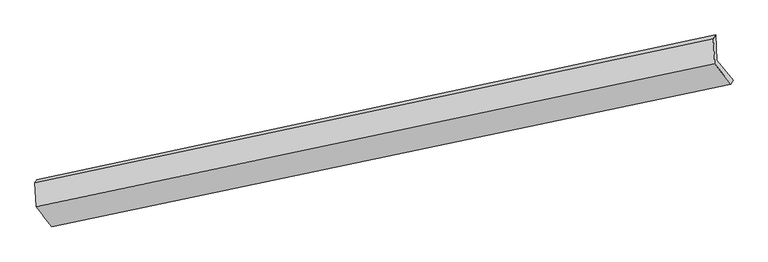
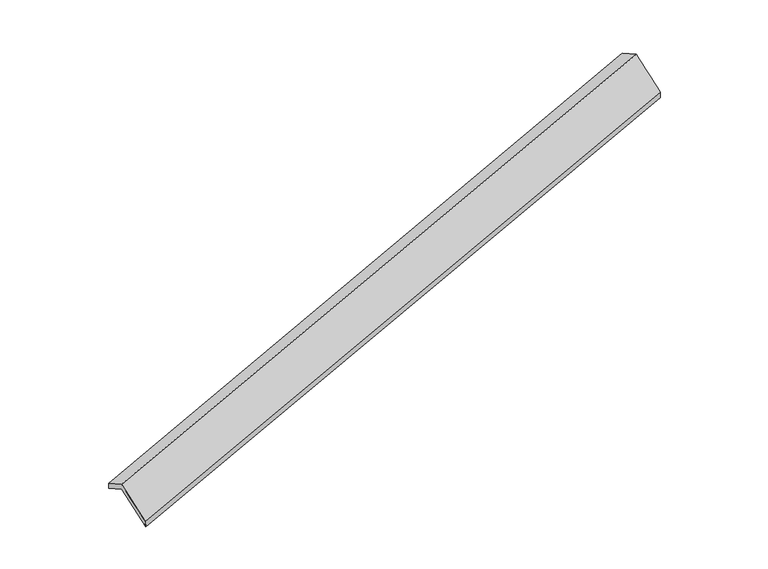
"""IFC4 building model written with IfcOpenShell, lengths in millimetres: proxy geometry."""

from ifc_helpers import new_model, si_unit, frame, origin, place, context, project, spatial, source, transform, mapped, element, save
from ifc_brep_helpers import plane_surface, spline_surface, advanced_brep


def generic_models_d4e99408(model_context):
    return source(origin(), model_context, "Body", "AdvancedBrep", [
        advanced_brep(
        [(-8404.2299348, -2658.8683126, 504.076568), (-8423.6150031, -2275.4659708, 298.7941186), (2535.6984231, 63.1625649, 3545.4368806), (2556.196726, -342.2575857, 3762.5081722), (-8455.6000267, -2322.093326, 438.8863544), (2500.7491864, 3.1296601, 3703.1847121), (-8435.8930861, -2711.8617317, 647.5773411), (2521.3467147, -404.2529927, 3921.3067726), (-8182.2811571, -3033.0299408, 23.7883691), (2782.9963375, -731.2574862, 3285.858468), (-8145.4824855, -2986.5400245, -132.3438326), (2817.8831433, -669.3080642, 3126.9705077)],
        [
            (0, 1),
            (1, 2),
            (2, 3),
            (3, 0),
            (1, 4),
            (4, 5),
            (5, 2),
            (4, 6),
            (6, 7),
            (7, 5),
            (6, 8),
            (8, 9),
            (9, 7),
            (8, 10),
            (10, 11),
            (11, 9),
            (10, 0),
            (3, 11),
        ],
        [
            plane_surface(frame((-8413.922469, -2467.1671417, 401.4353433), z_axis=(0.3396080636933823, -0.430565675166141, -0.8362293719089021), x_axis=(-0.044529381614564656, 0.8807123543107592, -0.47155369062008645))),
            spline_surface(1, 1, [[(-8423.6150031, -2275.4659708, 298.7941186), (2535.6984231, 63.1625649, 3545.4368806)], [(-8455.6000267, -2322.093326, 438.8863544), (2500.7491864, 3.1296601, 3703.1847121)]], [2, 2], [2, 2], [0.0, 1.0], [0.0, 1.0]),
            plane_surface(frame((-8445.7465564, -2516.9775289, 543.2318477), z_axis=(-0.340413163583974, 0.43039634905058854, 0.8359891511154165), x_axis=(0.04452938161466702, -0.8807123543106757, 0.47155369062023267))),
            spline_surface(1, 1, [[(-8435.8930861, -2711.8617317, 647.5773411), (2521.3467147, -404.2529927, 3921.3067726)], [(-8182.2811571, -3033.0299408, 23.7883691), (2782.9963375, -731.2574862, 3285.858468)]], [2, 2], [2, 2], [0.0, 1.0], [0.0, 1.0]),
            spline_surface(1, 1, [[(-8182.2811571, -3033.0299408, 23.7883691), (2782.9963375, -731.2574862, 3285.858468)], [(-8145.4824855, -2986.5400245, -132.3438326), (2817.8831433, -669.3080642, 3126.9705077)]], [2, 2], [2, 2], [0.0, 1.0], [0.0, 1.0]),
            spline_surface(1, 1, [[(-8145.4824855, -2986.5400245, -132.3438326), (2817.8831433, -669.3080642, 3126.9705077)], [(-8404.2299348, -2658.8683126, 504.076568), (2556.196726, -342.2575857, 3762.5081722)]], [2, 2], [2, 2], [0.0, 1.0], [0.0, 1.0]),
            plane_surface(frame((2619.1450885, -346.7973173, 3557.5442522), z_axis=(0.9379851081417407, 0.19930265638641084, 0.28365892910614904), x_axis=(0.20041878782920558, 0.35588893231968277, -0.9127844090131185))),
            plane_surface(frame((-8341.1836155, -2664.6432177, 296.7964864), z_axis=(-0.939391376100803, -0.19753352701714247, -0.28022196240053665), x_axis=(0.3399426079214949, -0.4304953596365228, -0.8361296362711669))),
        ],
        [
            (0, [[1, 2, 3, 4]]),
            (1, [[5, 6, 7, -2]]),
            (2, [[8, 9, 10, -6]]),
            (3, [[11, 12, 13, -9]]),
            (4, [[14, 15, 16, -12]]),
            (5, [[17, -4, 18, -15]]),
            (6, [[-16, -18, -3, -7, -10, -13]]),
            (7, [[-17, -14, -11, -8, -5, -1]]),
        ],
    ),
    ])


if __name__ == "__main__":
    model = new_model("IFC4")
    model_context = context("Model", 3, world=origin())
    ifc_project = project(units=[si_unit("LENGTHUNIT", "METRE", prefix="MILLI")], contexts=[model_context])
    site = spatial("IfcSite", under=ifc_project)
    building = spatial("IfcBuilding", under=site)
    placement = place(None, origin())
    generic_models_shape = generic_models_d4e99408(model_context)
    element("IfcBuildingElementProxy", 1, Name="Generic Models", at=placement, inside=building, context=model_context, shape_type="MappedRepresentation", body=[
        mapped(generic_models_shape, transform((0.0, 0.0, 0.0), x_axis=(1.0, 0.0, 0.0), y_axis=(0.0, 1.0, 0.0), z_axis=(0.0, 0.0, 1.0))),
    ])
    save(model, "model.ifc")
